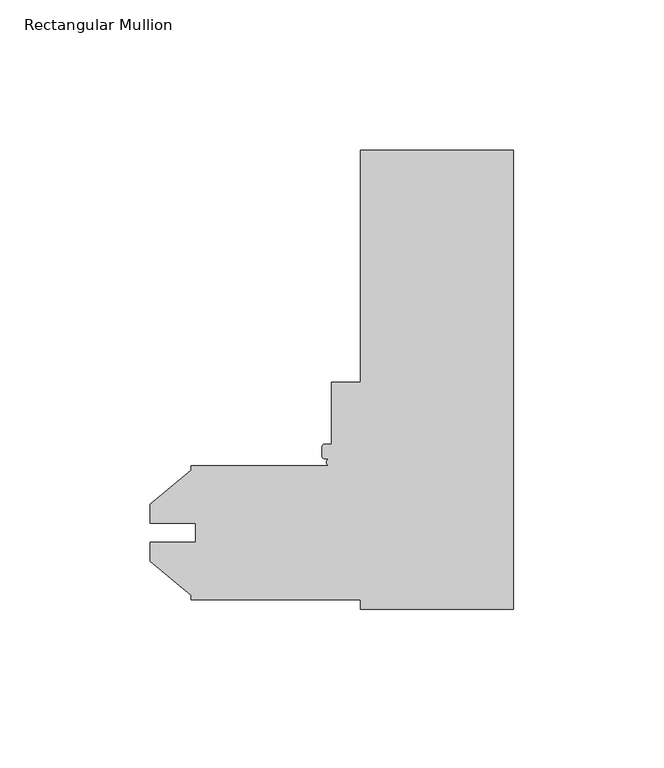
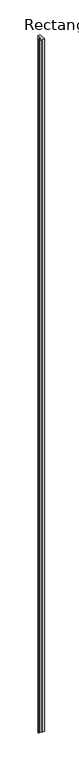
"""IFC4 building model written with IfcOpenShell, lengths in millimetres: member geometry, Rectangular Mullion."""

from ifc_helpers import new_model, si_unit, point, frame, frame_2d, origin, place, context, project, spatial, polyline, circle_curve, trimmed, segment, composite_curve, outline, extrude, source, transform, mapped, element, save


def rectangular_mullion_47d87ace(model_context):
    return source(origin(), model_context, "Body", "SweptSolid", [
        extrude(outline(composite_curve([segment(polyline([(-50.8, 152.4), (0.0, 152.4), (0.0, 0.0), (-50.8, 0.0), (-50.8, 3.175), (-107.15625, 3.175), (-107.15625, 4.5691667), (-120.61825, 15.865126), (-120.61825, 22.2353979), (-105.58145, 22.2353979), (-105.58145, 28.5595221), (-120.61825, 28.5595221), (-120.61825, 34.929794), (-107.15625, 46.2257533), (-107.15625, 47.625), (-60.9152458, 47.625)]), True, "CONTINUOUS"), segment(trimmed(circle_curve(frame_2d((-60.9152458, 48.8188)), 1.1938), [point((-60.9152458, 47.625))], [point((-60.9152458, 50.0126))], False, "CARTESIAN"), True, "CONTINUOUS"), segment(polyline([(-60.9152458, 50.0126), (-62.7126, 50.0126)]), True, "CONTINUOUS"), segment(trimmed(circle_curve(frame_2d((-62.7126, 50.8)), 0.7874), [point((-62.7126, 50.0126))], [point((-63.5, 50.8))], False, "CARTESIAN"), True, "CONTINUOUS"), segment(polyline([(-63.5, 50.8), (-63.5, 54.0004)]), True, "CONTINUOUS"), segment(trimmed(circle_curve(frame_2d((-62.7126, 54.0004)), 0.7874), [point((-63.5, 54.0004))], [point((-62.7126, 54.7878))], False, "CARTESIAN"), True, "CONTINUOUS"), segment(polyline([(-62.7126, 54.7878), (-60.325, 54.7878), (-60.325, 75.4126), (-50.8, 75.4126), (-50.8, 152.4)]), True, "CONTINUOUS")], self_intersect=False)), frame((0.0, 0.0, -15837.0064664), z_axis=(0.0, 0.0, 1.0), x_axis=(1.0, 0.0, 0.0)), (0.0, 0.0, 1.0), 15837.0064664),
    ])


if __name__ == "__main__":
    model = new_model("IFC4")
    model_context = context("Model", 3, world=origin())
    ifc_project = project(units=[si_unit("LENGTHUNIT", "METRE", prefix="MILLI")], contexts=[model_context])
    site = spatial("IfcSite", under=ifc_project)
    building = spatial("IfcBuilding", under=site)
    placement = place(None, origin())
    rectangular_mullion_shape = rectangular_mullion_47d87ace(model_context)
    element("IfcMember", 1, ObjectType="Rectangular Mullion", at=placement, inside=building, context=model_context, shape_type="MappedRepresentation", body=[
        mapped(rectangular_mullion_shape, transform((0.0, 0.0, 0.0), x_axis=(1.0, 0.0, 0.0), y_axis=(0.0, 1.0, 0.0), z_axis=(0.0, 0.0, 1.0))),
    ])
    save(model, "model.ifc")
